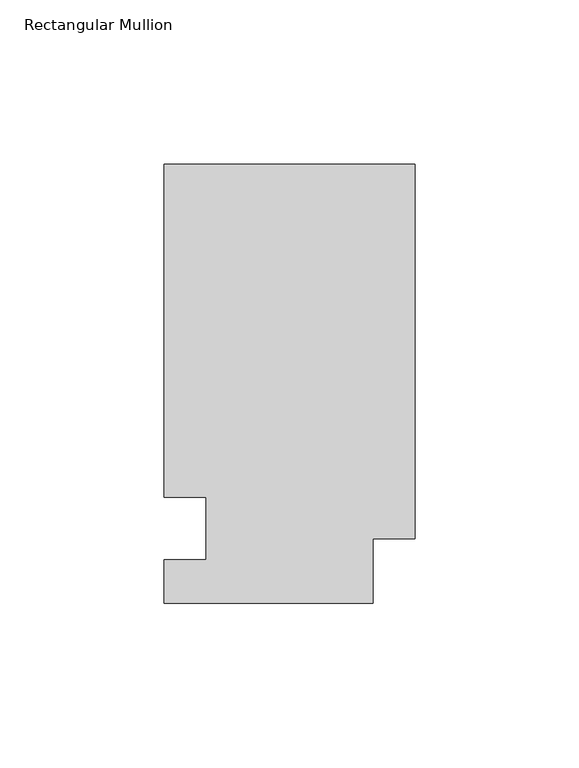
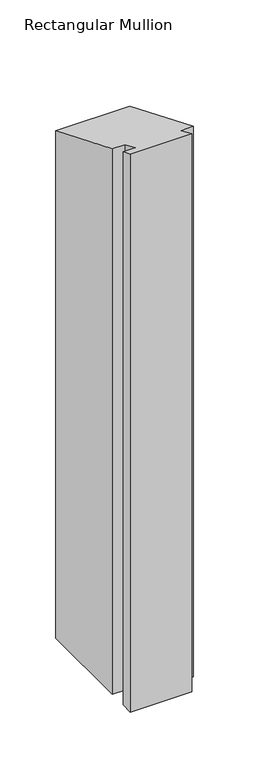
"""IFC4 building model written with IfcOpenShell, lengths in millimetres: member geometry, Rectangular Mullion."""

from ifc_helpers import new_model, si_unit, origin, place, context, project, spatial, faceted_brep, source, transform, mapped, element, save


def rectangular_mullion_e1c837d6(model_context):
    return source(origin(), model_context, "Body", "Brep", [
        faceted_brep([(0.0, 133.4396938, -609.6), (0.0, 19.5460937, -609.6), (-12.7, 19.5460937, -609.6), (-12.7, 0.0134937, -609.6), (-76.2, 0.0134937, -609.6), (-76.2, 13.1960937, -609.6), (-63.5, 13.1960937, -609.6), (-63.5, 32.2460938, -609.6), (-76.2, 32.2460937, -609.6), (-76.2, 133.4396938, -609.6), (-76.2, 133.4396938, -55.2725309), (0.0, 133.4396938, -55.2725309), (-76.2, 32.2460937, -13.3567694), (-63.5, 32.2460937, -13.3567694), (-63.5, 13.1960937, -5.466001), (-76.2, 13.1960937, -5.466001), (-76.2, 0.0134937, -0.0055893), (-12.7, 0.0134937, -0.0055893), (-12.7, 19.5460937, -8.0962571), (0.0, 19.5460937, -8.0962571)], [[[0, 1, 2, 3, 4, 5, 6, 7, 8, 9]], [[10, 11, 0, 9]], [[12, 10, 9, 8]], [[13, 12, 8, 7]], [[14, 13, 7, 6]], [[15, 14, 6, 5]], [[16, 15, 5, 4]], [[17, 16, 4, 3]], [[18, 17, 3, 2]], [[19, 18, 2, 1]], [[11, 19, 1, 0]], [[11, 10, 12, 13, 14, 15, 16, 17, 18, 19]]]),
    ])


if __name__ == "__main__":
    model = new_model("IFC4")
    model_context = context("Model", 3, world=origin())
    ifc_project = project(units=[si_unit("LENGTHUNIT", "METRE", prefix="MILLI")], contexts=[model_context])
    site = spatial("IfcSite", under=ifc_project)
    building = spatial("IfcBuilding", under=site)
    placement = place(None, origin())
    rectangular_mullion_shape = rectangular_mullion_e1c837d6(model_context)
    element("IfcMember", 1, ObjectType="Rectangular Mullion", at=placement, inside=building, context=model_context, shape_type="MappedRepresentation", body=[
        mapped(rectangular_mullion_shape, transform((0.0, 0.0, 0.0), x_axis=(1.0, 0.0, 0.0), y_axis=(0.0, 1.0, 0.0), z_axis=(0.0, 0.0, 1.0))),
    ])
    save(model, "model.ifc")
